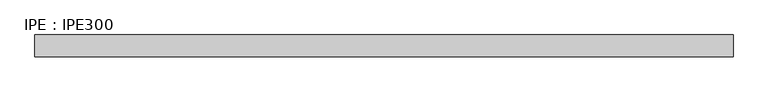
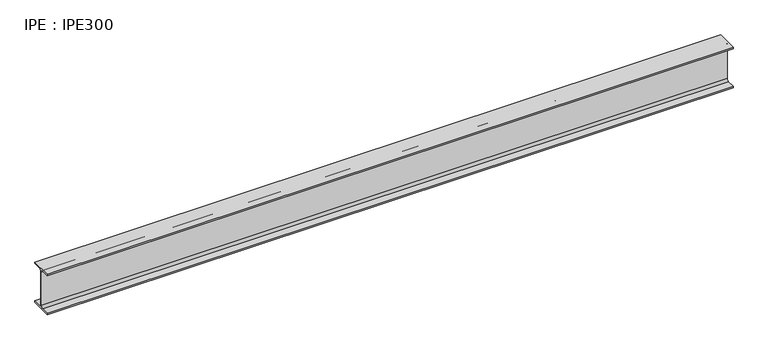
"""IFC4 building model written with IfcOpenShell, lengths in millimetres: beam geometry, IPE : IPE300."""

from ifc_helpers import new_model, si_unit, point, frame, frame_2d, origin, place, context, project, spatial, polyline, circle_curve, trimmed, segment, composite_curve, outline, extrude, source, transform, mapped, element, save


def ipe_ipe300_4751250a(model_context):
    return source(origin(), model_context, "Body", "SweptSolid", [
        extrude(outline(composite_curve([segment(polyline([(75.0, -139.3), (75.0, -150.0), (-75.0, -150.0), (-75.0, -139.3), (-18.55, -139.3)]), True, "CONTINUOUS"), segment(trimmed(circle_curve(frame_2d((-18.55, -124.3)), 15.0), [point((-18.55, -139.3))], [point((-3.55, -124.3))], True, "CARTESIAN"), True, "CONTINUOUS"), segment(polyline([(-3.55, -124.3), (-3.55, 124.3)]), True, "CONTINUOUS"), segment(trimmed(circle_curve(frame_2d((-18.55, 124.3)), 15.0), [point((-3.55, 124.3))], [point((-18.55, 139.3))], True, "CARTESIAN"), True, "CONTINUOUS"), segment(polyline([(-18.55, 139.3), (-75.0, 139.3), (-75.0, 150.0), (75.0, 150.0), (75.0, 139.3), (18.55, 139.3)]), True, "CONTINUOUS"), segment(trimmed(circle_curve(frame_2d((18.55, 124.3)), 15.0), [point((18.55, 139.3))], [point((3.55, 124.3))], True, "CARTESIAN"), True, "CONTINUOUS"), segment(polyline([(3.55, 124.3), (3.55, -124.3)]), True, "CONTINUOUS"), segment(trimmed(circle_curve(frame_2d((18.55, -124.3)), 15.0), [point((3.55, -124.3))], [point((18.55, -139.3))], True, "CARTESIAN"), True, "CONTINUOUS"), segment(polyline([(18.55, -139.3), (75.0, -139.3)]), True, "CONTINUOUS")], self_intersect=False)), frame((-2575.0, 0.0, 0.0), z_axis=(1.0, 0.0, 0.0), x_axis=(0.0, 1.0, 0.0)), (0.0, 0.0, 1.0), 4817.3),
    ])


if __name__ == "__main__":
    model = new_model("IFC4")
    model_context = context("Model", 3, world=origin())
    ifc_project = project(units=[si_unit("LENGTHUNIT", "METRE", prefix="MILLI")], contexts=[model_context])
    site = spatial("IfcSite", under=ifc_project)
    building = spatial("IfcBuilding", under=site)
    placement = place(None, origin())
    ipe_ipe300_shape = ipe_ipe300_4751250a(model_context)
    element("IfcBeam", 1, ObjectType="IPE : IPE300", at=placement, inside=building, context=model_context, shape_type="MappedRepresentation", body=[
        mapped(ipe_ipe300_shape, transform((0.0, 0.0, 0.0), x_axis=(1.0, 0.0, 0.0), y_axis=(0.0, 1.0, 0.0), z_axis=(0.0, 0.0, 1.0))),
    ])
    save(model, "model.ifc")
